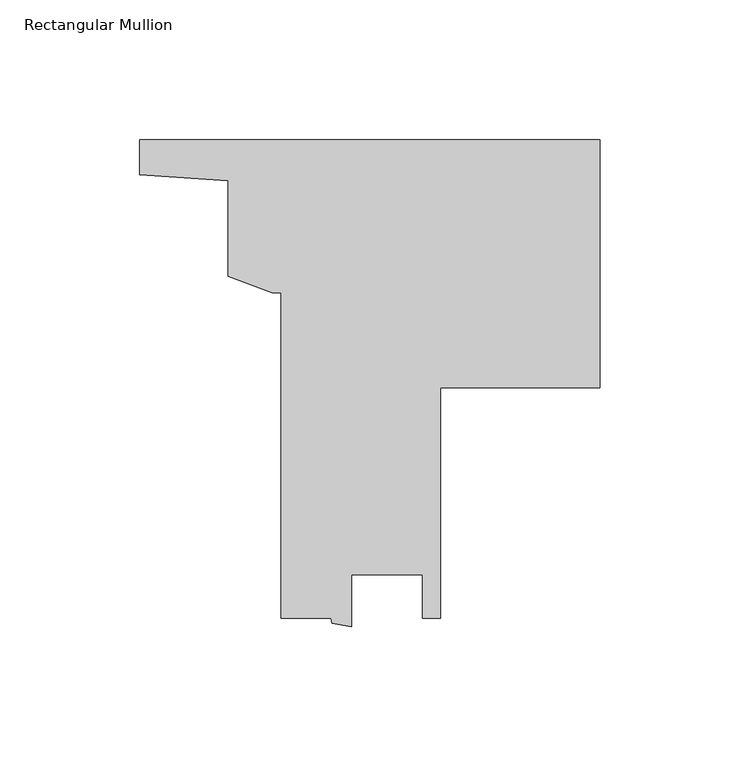
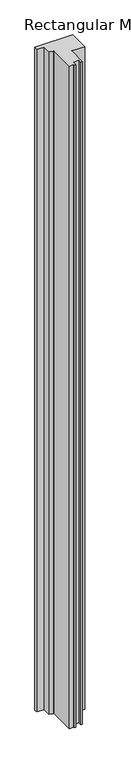
"""IFC4 building model written with IfcOpenShell, lengths in millimetres: member geometry, Rectangular Mullion."""

from ifc_helpers import new_model, si_unit, frame, origin, place, context, project, spatial, polyline, outline, extrude, source, transform, mapped, element, save


def rectangular_mullion_d5231298(model_context):
    return source(origin(), model_context, "Body", "SweptSolid", [
        extrude(outline(polyline([(0.0, -88.9), (-57.1539565, -88.9), (-57.1539565, -171.4690464), (-63.7197533, -171.4690464), (-63.7197533, -155.8480465), (-89.1271986, -155.8480465), (-89.1271986, -174.5890329), (-96.0639571, -173.3105465), (-96.3886632, -171.4690465), (-114.3039565, -171.4690465), (-114.3039565, -54.7877964), (-117.4964088, -54.7877964), (-133.3475035, -49.0184697), (-133.3475035, -14.7817957), (-165.1, -12.5822928), (-165.1, 0.0), (0.0, 0.0), (0.0, -88.9)])), frame((0.0, 0.0, -3048.0), z_axis=(0.0, 0.0, 1.0), x_axis=(1.0, 0.0, 0.0)), (0.0, 0.0, 1.0), 3048.0),
    ])


if __name__ == "__main__":
    model = new_model("IFC4")
    model_context = context("Model", 3, world=origin())
    ifc_project = project(units=[si_unit("LENGTHUNIT", "METRE", prefix="MILLI")], contexts=[model_context])
    site = spatial("IfcSite", under=ifc_project)
    building = spatial("IfcBuilding", under=site)
    placement = place(None, origin())
    rectangular_mullion_shape = rectangular_mullion_d5231298(model_context)
    element("IfcMember", 1, ObjectType="Rectangular Mullion", at=placement, inside=building, context=model_context, shape_type="MappedRepresentation", body=[
        mapped(rectangular_mullion_shape, transform((0.0, 0.0, 0.0), x_axis=(1.0, 0.0, 0.0), y_axis=(0.0, 1.0, 0.0), z_axis=(0.0, 0.0, 1.0))),
    ])
    save(model, "model.ifc")
